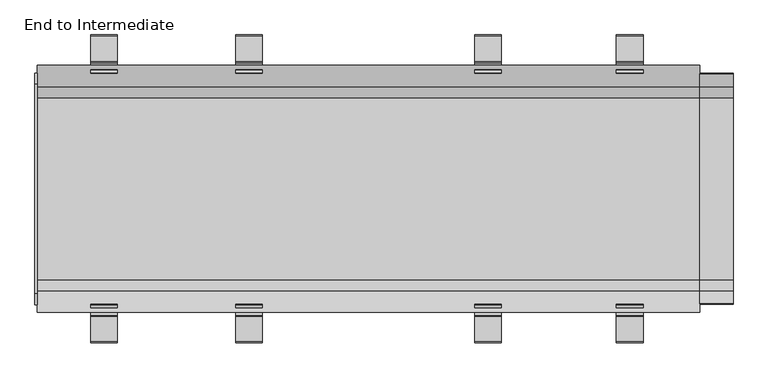
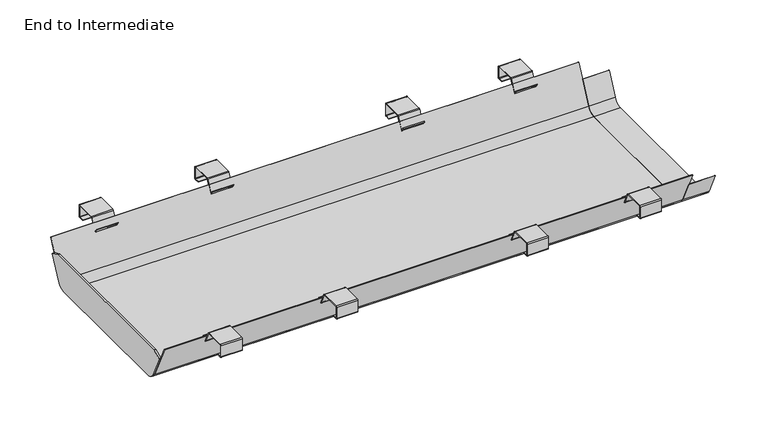
"""IFC4 building model written with IfcOpenShell, lengths in millimetres: furniture geometry, End to Intermediate."""

import ifcopenshell
import ifcopenshell.guid

model = None  # the IFC model being written
_history = None  # IfcOwnerHistory: only IFC2X3 demands one
_inside = {}  # id of a spatial element -> (the spatial element, [elements in it])
_under = {}  # id of a project, library or spatial element -> (it, [spatial elements below it])
_declared = {}  # id of a project -> (the project, [libraries it declares])
_typed = {}  # id of a type object -> (the type object, [elements of that type])
_made_of = {}  # id of a material, layer set ... -> (it, [elements and type objects made of it])


def new_model(schema):
    """Start an empty IFC model of exactly this schema.

    Asked for "IFC4X3", IfcOpenShell would pick the latest addendum, in which some entities
    have other attributes; the version numbers below select the first issue.
    IFC2X3 requires an IfcOwnerHistory on every rooted entity: one is made here for all.
    """
    global model, _history
    if schema == "IFC4X3":
        model = ifcopenshell.file(schema_version=(4, 3, 0, 0))
    else:
        model = ifcopenshell.file(schema=schema)
    _inside.clear()
    _under.clear()
    _declared.clear()
    _typed.clear()
    _made_of.clear()
    _history = None
    if model.schema == "IFC2X3":
        org = make("IfcOrganization", Name="unknown")
        user = make(
            "IfcPersonAndOrganization",
            ThePerson=make("IfcPerson", FamilyName="unknown"),
            TheOrganization=org,
        )
        app = make(
            "IfcApplication",
            ApplicationDeveloper=org,
            Version="unknown",
            ApplicationFullName="unknown",
            ApplicationIdentifier="unknown",
        )
        _history = make(
            "IfcOwnerHistory",
            OwningUser=user,
            OwningApplication=app,
            ChangeAction="ADDED",
            CreationDate=0,
        )
    return model


def make(cls, **values):
    """One entity of the class cls with the attributes given. An attribute that is None is left unset."""
    return model.create_entity(
        cls, **{name: value for name, value in values.items() if value is not None}
    )


def rooted(cls, **values):
    """An entity with a GlobalId (a new one), such as an element, a storey or a relation."""
    return make(cls, GlobalId=ifcopenshell.guid.new(), OwnerHistory=_history, **values)


def si_unit(unit_type, name, prefix=None):
    """IfcSIUnit, for example si_unit("LENGTHUNIT", "METRE", prefix="MILLI")."""
    return make("IfcSIUnit", UnitType=unit_type, Prefix=prefix, Name=name)


def assignment(units):
    """IfcUnitAssignment: the units of a project."""
    return None if units is None else make("IfcUnitAssignment", Units=units)


def point(xyz):
    """IfcCartesianPoint."""
    return None if xyz is None else make("IfcCartesianPoint", Coordinates=xyz)


def direction(xyz):
    """IfcDirection."""
    return None if xyz is None else make("IfcDirection", DirectionRatios=xyz)


def frame(location, z_axis=None, x_axis=None):
    """IfcAxis2Placement3D, a coordinate frame: its origin and axes. An axis left out is left unset."""
    return make(
        "IfcAxis2Placement3D",
        Location=point(location),
        Axis=direction(z_axis),
        RefDirection=direction(x_axis),
    )


def frame_2d(location, x_axis=None):
    """IfcAxis2Placement2D, a coordinate frame in the plane: its origin and x axis."""
    return make(
        "IfcAxis2Placement2D", Location=point(location), RefDirection=direction(x_axis)
    )


def origin():
    """The frame at (0, 0, 0) with its axes left unset."""
    return frame((0.0, 0.0, 0.0))


def place(relative_to, where):
    """IfcLocalPlacement: puts the frame where relative to a parent placement (None: the world)."""
    return make(
        "IfcLocalPlacement", PlacementRelTo=relative_to, RelativePlacement=where
    )


def context(
    kind, dimensions, precision=None, world=None, true_north=None, identifier=None
):
    """IfcGeometricRepresentationContext, for example the 3D "Model" context."""
    return make(
        "IfcGeometricRepresentationContext",
        ContextIdentifier=identifier,
        ContextType=kind,
        CoordinateSpaceDimension=dimensions,
        Precision=precision,
        WorldCoordinateSystem=world,
        TrueNorth=true_north,
    )


def project(units=None, contexts=None):
    """IfcProject with its units and contexts."""
    return rooted(
        "IfcProject",
        Name="project",
        RepresentationContexts=contexts,
        UnitsInContext=assignment(units),
    )


def spatial(cls, under=None, at=None, **own):
    """A site, building, storey or space (cls), placed at a placement, below another one or the project."""
    s = rooted(cls, ObjectPlacement=at, **own)
    if under is not None:
        _under.setdefault(under.id(), (under, []))[1].append(s)
    return s


def polyline(points):
    """IfcPolyline through the points."""
    return make("IfcPolyline", Points=[point(p) for p in points])


def circle_curve(where, radius):
    """IfcCircle in the frame where."""
    return make("IfcCircle", Position=where, Radius=radius)


def trimmed(basis, trim1, trim2, sense, master):
    """IfcTrimmedCurve: the piece of a basis curve between two trims."""
    return make(
        "IfcTrimmedCurve",
        BasisCurve=basis,
        Trim1=trim1,
        Trim2=trim2,
        SenseAgreement=sense,
        MasterRepresentation=master,
    )


def segment(curve, same_sense, transition):
    """IfcCompositeCurveSegment."""
    return make(
        "IfcCompositeCurveSegment",
        Transition=transition,
        SameSense=same_sense,
        ParentCurve=curve,
    )


def composite_curve(segments, self_intersect=None):
    """IfcCompositeCurve: segments joined end to end."""
    return make("IfcCompositeCurve", Segments=segments, SelfIntersect=self_intersect)


def outline(outer, holes=None, kind="AREA"):
    """IfcArbitraryClosedProfileDef: a profile drawn as a closed curve; with holes, ...WithVoids."""
    if holes is None:
        return make("IfcArbitraryClosedProfileDef", ProfileType=kind, OuterCurve=outer)
    return make(
        "IfcArbitraryProfileDefWithVoids",
        ProfileType=kind,
        OuterCurve=outer,
        InnerCurves=holes,
    )


def extrude(swept, where, along, depth):
    """IfcExtrudedAreaSolid: the profile swept, set in the frame where, extruded along a direction by depth."""
    return make(
        "IfcExtrudedAreaSolid",
        SweptArea=swept,
        Position=where,
        ExtrudedDirection=direction(along),
        Depth=depth,
    )


def shape(context_of_items, identifier, shape_type, items):
    """IfcShapeRepresentation: the items that make up one representation, for example the "Body"."""
    return make(
        "IfcShapeRepresentation",
        ContextOfItems=context_of_items,
        RepresentationIdentifier=identifier,
        RepresentationType=shape_type,
        Items=items,
    )


def source(mapping_origin, context_of_items, identifier, shape_type, items):
    """IfcRepresentationMap: a shape defined once, which mapped items show again and again."""
    return make(
        "IfcRepresentationMap",
        MappingOrigin=mapping_origin,
        MappedRepresentation=shape(context_of_items, identifier, shape_type, items),
    )


def transform(
    local_origin,
    x_axis=None,
    y_axis=None,
    z_axis=None,
    scale=None,
    scale2=None,
    scale3=None,
    uniform=True,
):
    """IfcCartesianTransformationOperator3D, or its non-uniform kind. x_axis, y_axis, z_axis: its Axis1, 2, 3."""
    if uniform:
        return make(
            "IfcCartesianTransformationOperator3D",
            Axis1=direction(x_axis),
            Axis2=direction(y_axis),
            LocalOrigin=point(local_origin),
            Scale=scale,
            Axis3=direction(z_axis),
        )
    return make(
        "IfcCartesianTransformationOperator3DnonUniform",
        Axis1=direction(x_axis),
        Axis2=direction(y_axis),
        LocalOrigin=point(local_origin),
        Scale=scale,
        Axis3=direction(z_axis),
        Scale2=scale2,
        Scale3=scale3,
    )


def mapped(mapping_source, mapping_target):
    """IfcMappedItem: shows the shape of a source again, moved by a transform."""
    return make(
        "IfcMappedItem", MappingSource=mapping_source, MappingTarget=mapping_target
    )


def made_of(thing, what):
    """Note that an element or type object is made of a material, layer set ...; save() writes the relation."""
    if what is not None:
        _made_of.setdefault(what.id(), (what, []))[1].append(thing)
    return thing


def element(
    cls,
    number,
    at=None,
    inside=None,
    cuts=None,
    type_object=None,
    material=None,
    context=None,
    identifier="Body",
    shape_type=None,
    held_by="IfcProductDefinitionShape",
    body=None,
    shapes=None,
    **own,
):
    """One element of the class cls, such as IfcWall. Its Tag is "e" and its number.

    at: its placement. inside: the storey or other place that contains it. cuts: it is an
    opening in that element (IfcRelVoidsElement). A single representation is given by context,
    identifier, shape_type and body (its items); several are given by shapes. held_by: the class
    of the entity that holds the representations. save() writes the other relations.
    """
    e = rooted(cls, Tag="e%d" % number, ObjectPlacement=at, **own)
    if body is not None:
        shapes = [shape(context, identifier, shape_type, body)]
    if shapes is not None:
        e.Representation = make(held_by, Representations=shapes)
    if inside is not None:
        _inside.setdefault(inside.id(), (inside, []))[1].append(e)
    if cuts is not None:
        rooted(
            "IfcRelVoidsElement", RelatingBuildingElement=cuts, RelatedOpeningElement=e
        )
    if type_object is not None:
        _typed.setdefault(type_object.id(), (type_object, []))[1].append(e)
    return made_of(e, material)


def aggregate(whole, parts):
    """IfcRelAggregates: a whole, such as a stair, and the parts it consists of."""
    return rooted("IfcRelAggregates", RelatingObject=whole, RelatedObjects=parts)


def save(model, path):
    """Write the relations noted so far, then the file.

    IfcRelAggregates (storeys below a building ...), IfcRelContainedInSpatialStructure (elements
    in a storey), IfcRelDefinesByType, IfcRelAssociatesMaterial and IfcRelDeclares: one each for
    every whole, place, type object, material and project.
    """
    for whole, parts in _under.values():
        aggregate(whole, parts)
    for where, things in _inside.values():
        rooted(
            "IfcRelContainedInSpatialStructure",
            RelatedElements=things,
            RelatingStructure=where,
        )
    for kind, things in _typed.values():
        rooted("IfcRelDefinesByType", RelatedObjects=things, RelatingType=kind)
    for what, things in _made_of.values():
        rooted("IfcRelAssociatesMaterial", RelatedObjects=things, RelatingMaterial=what)
    for by, libraries in _declared.values():
        rooted("IfcRelDeclares", RelatingContext=by, RelatedDefinitions=libraries)
    model.write(path)


def end_to_intermediate_915518e6(model_context):
    return source(origin(), model_context, "Body", "SweptSolid", [
        extrude(outline(composite_curve([segment(polyline([(-314.3902006, 691.2175894), (-262.5863476, 691.2175894)]), True, "CONTINUOUS"), segment(trimmed(circle_curve(frame_2d((-262.5863476, 688.1906532)), 3.0269361), [point((-262.5863476, 691.2175894))], [point((-259.8430196, 689.4699085))], False, "CARTESIAN"), True, "CONTINUOUS"), segment(polyline([(-259.8430196, 689.4699085), (-246.5846085, 661.037607)]), True, "CONTINUOUS"), segment(trimmed(circle_curve(frame_2d((-245.4846589, 661.5505301)), 1.2136636), [point((-246.5846085, 661.037607))], [point((-244.4904732, 660.8544166))], True, "CARTESIAN"), True, "CONTINUOUS"), segment(polyline([(-244.4904732, 660.8544166), (-238.583501, 669.2907232), (-237.3549672, 668.4305362), (-243.4492366, 659.7265967)]), True, "CONTINUOUS"), segment(trimmed(circle_curve(frame_2d((-245.517585, 661.1747998)), 2.524947), [point((-243.4492366, 659.7265967))], [point((-247.8059576, 660.1076971))], False, "CARTESIAN"), True, "CONTINUOUS"), segment(polyline([(-247.8059576, 660.1076971), (-261.3735958, 689.2031275)]), True, "CONTINUOUS"), segment(trimmed(circle_curve(frame_2d((-262.1811743, 688.8265414)), 0.8910668), [point((-261.3735958, 689.2031275))], [point((-262.1811743, 689.7176083))], True, "CARTESIAN"), True, "CONTINUOUS"), segment(polyline([(-262.1811743, 689.7176083), (-313.9528471, 689.7176083)]), True, "CONTINUOUS"), segment(trimmed(circle_curve(frame_2d((-313.9528471, 688.5126976)), 1.2049106), [point((-313.9528471, 689.7176083))], [point((-315.1577577, 688.5126976))], True, "CARTESIAN"), True, "CONTINUOUS"), segment(polyline([(-315.1577577, 688.5126976), (-315.1577577, 658.6910173)]), True, "CONTINUOUS"), segment(trimmed(circle_curve(frame_2d((-314.1843397, 658.6910173)), 0.973418), [point((-315.1577577, 658.6910173))], [point((-314.1843397, 657.7175993))], True, "CARTESIAN"), True, "CONTINUOUS"), segment(polyline([(-314.1843397, 657.7175993), (-301.6596991, 657.7175993), (-301.6596991, 656.2176182), (-314.147136, 656.2176182)]), True, "CONTINUOUS"), segment(trimmed(circle_curve(frame_2d((-314.147136, 658.7282211)), 2.5106029), [point((-314.147136, 656.2176182))], [point((-316.6577389, 658.7282211))], False, "CARTESIAN"), True, "CONTINUOUS"), segment(polyline([(-316.6577389, 658.7282211), (-316.6577389, 688.9500511)]), True, "CONTINUOUS"), segment(trimmed(circle_curve(frame_2d((-314.3902006, 688.9500511)), 2.2675383), [point((-316.6577389, 688.9500511))], [point((-314.3902006, 691.2175894))], False, "CARTESIAN"), True, "CONTINUOUS")], self_intersect=False)), frame((-572.021592, 0.0, 0.0), z_axis=(1.0, 0.0, 0.0), x_axis=(0.0, 1.0, 0.0)), (0.0, 0.0, 1.0), 55.0186294),
        extrude(outline(composite_curve([segment(trimmed(circle_curve(frame_2d((314.3902006, 688.9500511)), 2.2675383), [point((314.3902006, 691.2175894))], [point((316.6577389, 688.9500511))], False, "CARTESIAN"), True, "CONTINUOUS"), segment(polyline([(316.6577389, 688.9500511), (316.6577389, 658.7282211)]), True, "CONTINUOUS"), segment(trimmed(circle_curve(frame_2d((314.147136, 658.7282211)), 2.5106029), [point((316.6577389, 658.7282211))], [point((314.147136, 656.2176182))], False, "CARTESIAN"), True, "CONTINUOUS"), segment(polyline([(314.147136, 656.2176182), (301.6596991, 656.2176182), (301.6596991, 657.7175993), (314.1843397, 657.7175993)]), True, "CONTINUOUS"), segment(trimmed(circle_curve(frame_2d((314.1843397, 658.6910173)), 0.973418), [point((314.1843397, 657.7175993))], [point((315.1577577, 658.6910173))], True, "CARTESIAN"), True, "CONTINUOUS"), segment(polyline([(315.1577577, 658.6910173), (315.1577577, 688.5126976)]), True, "CONTINUOUS"), segment(trimmed(circle_curve(frame_2d((313.9528471, 688.5126976)), 1.2049106), [point((315.1577577, 688.5126976))], [point((313.9528471, 689.7176083))], True, "CARTESIAN"), True, "CONTINUOUS"), segment(polyline([(313.9528471, 689.7176083), (262.1811743, 689.7176083)]), True, "CONTINUOUS"), segment(trimmed(circle_curve(frame_2d((262.1811743, 688.8265414)), 0.8910668), [point((262.1811743, 689.7176083))], [point((261.3735958, 689.2031275))], True, "CARTESIAN"), True, "CONTINUOUS"), segment(polyline([(261.3735958, 689.2031275), (247.8059576, 660.1076971)]), True, "CONTINUOUS"), segment(trimmed(circle_curve(frame_2d((245.517585, 661.1747998)), 2.524947), [point((247.8059576, 660.1076971))], [point((243.4492366, 659.7265967))], False, "CARTESIAN"), True, "CONTINUOUS"), segment(polyline([(243.4492366, 659.7265967), (237.3549672, 668.4305362), (238.583501, 669.2907232), (244.4904732, 660.8544166)]), True, "CONTINUOUS"), segment(trimmed(circle_curve(frame_2d((245.4846589, 661.5505301)), 1.2136636), [point((244.4904732, 660.8544166))], [point((246.5846085, 661.037607))], True, "CARTESIAN"), True, "CONTINUOUS"), segment(polyline([(246.5846085, 661.037607), (259.8430196, 689.4699085)]), True, "CONTINUOUS"), segment(trimmed(circle_curve(frame_2d((262.5863476, 688.1906532)), 3.0269361), [point((259.8430196, 689.4699085))], [point((262.5863476, 691.2175894))], False, "CARTESIAN"), True, "CONTINUOUS"), segment(polyline([(262.5863476, 691.2175894), (314.3902006, 691.2175894)]), True, "CONTINUOUS")], self_intersect=False)), frame((-572.021592, 0.0, 0.0), z_axis=(1.0, 0.0, 0.0), x_axis=(0.0, 1.0, 0.0)), (0.0, 0.0, 1.0), 55.0186294),
        extrude(outline(composite_curve([segment(polyline([(-314.3902006, 691.2175894), (-262.5863476, 691.2175894)]), True, "CONTINUOUS"), segment(trimmed(circle_curve(frame_2d((-262.5863476, 688.1906532)), 3.0269361), [point((-262.5863476, 691.2175894))], [point((-259.8430196, 689.4699085))], False, "CARTESIAN"), True, "CONTINUOUS"), segment(polyline([(-259.8430196, 689.4699085), (-246.5846085, 661.037607)]), True, "CONTINUOUS"), segment(trimmed(circle_curve(frame_2d((-245.4846589, 661.5505301)), 1.2136636), [point((-246.5846085, 661.037607))], [point((-244.4904732, 660.8544166))], True, "CARTESIAN"), True, "CONTINUOUS"), segment(polyline([(-244.4904732, 660.8544166), (-238.583501, 669.2907232), (-237.3549672, 668.4305362), (-243.4492366, 659.7265967)]), True, "CONTINUOUS"), segment(trimmed(circle_curve(frame_2d((-245.517585, 661.1747998)), 2.524947), [point((-243.4492366, 659.7265967))], [point((-247.8059576, 660.1076971))], False, "CARTESIAN"), True, "CONTINUOUS"), segment(polyline([(-247.8059576, 660.1076971), (-261.3735958, 689.2031275)]), True, "CONTINUOUS"), segment(trimmed(circle_curve(frame_2d((-262.1811743, 688.8265414)), 0.8910668), [point((-261.3735958, 689.2031275))], [point((-262.1811743, 689.7176083))], True, "CARTESIAN"), True, "CONTINUOUS"), segment(polyline([(-262.1811743, 689.7176083), (-313.9528471, 689.7176083)]), True, "CONTINUOUS"), segment(trimmed(circle_curve(frame_2d((-313.9528471, 688.5126976)), 1.2049106), [point((-313.9528471, 689.7176083))], [point((-315.1577577, 688.5126976))], True, "CARTESIAN"), True, "CONTINUOUS"), segment(polyline([(-315.1577577, 688.5126976), (-315.1577577, 658.6910173)]), True, "CONTINUOUS"), segment(trimmed(circle_curve(frame_2d((-314.1843397, 658.6910173)), 0.973418), [point((-315.1577577, 658.6910173))], [point((-314.1843397, 657.7175993))], True, "CARTESIAN"), True, "CONTINUOUS"), segment(polyline([(-314.1843397, 657.7175993), (-301.6596991, 657.7175993), (-301.6596991, 656.2176182), (-314.147136, 656.2176182)]), True, "CONTINUOUS"), segment(trimmed(circle_curve(frame_2d((-314.147136, 658.7282211)), 2.5106029), [point((-314.147136, 656.2176182))], [point((-316.6577389, 658.7282211))], False, "CARTESIAN"), True, "CONTINUOUS"), segment(polyline([(-316.6577389, 658.7282211), (-316.6577389, 688.9500511)]), True, "CONTINUOUS"), segment(trimmed(circle_curve(frame_2d((-314.3902006, 688.9500511)), 2.2675383), [point((-316.6577389, 688.9500511))], [point((-314.3902006, 691.2175894))], False, "CARTESIAN"), True, "CONTINUOUS")], self_intersect=False)), frame((-273.4528805, 0.0, 0.0), z_axis=(1.0, 0.0, 0.0), x_axis=(0.0, 1.0, 0.0)), (0.0, 0.0, 1.0), 54.9870932),
        extrude(outline(composite_curve([segment(trimmed(circle_curve(frame_2d((314.3902006, 688.9500511)), 2.2675383), [point((314.3902006, 691.2175894))], [point((316.6577389, 688.9500511))], False, "CARTESIAN"), True, "CONTINUOUS"), segment(polyline([(316.6577389, 688.9500511), (316.6577389, 658.7282211)]), True, "CONTINUOUS"), segment(trimmed(circle_curve(frame_2d((314.147136, 658.7282211)), 2.5106029), [point((316.6577389, 658.7282211))], [point((314.147136, 656.2176182))], False, "CARTESIAN"), True, "CONTINUOUS"), segment(polyline([(314.147136, 656.2176182), (301.6596991, 656.2176182), (301.6596991, 657.7175993), (314.1843397, 657.7175993)]), True, "CONTINUOUS"), segment(trimmed(circle_curve(frame_2d((314.1843397, 658.6910173)), 0.973418), [point((314.1843397, 657.7175993))], [point((315.1577577, 658.6910173))], True, "CARTESIAN"), True, "CONTINUOUS"), segment(polyline([(315.1577577, 658.6910173), (315.1577577, 688.5126976)]), True, "CONTINUOUS"), segment(trimmed(circle_curve(frame_2d((313.9528471, 688.5126976)), 1.2049106), [point((315.1577577, 688.5126976))], [point((313.9528471, 689.7176083))], True, "CARTESIAN"), True, "CONTINUOUS"), segment(polyline([(313.9528471, 689.7176083), (262.1811743, 689.7176083)]), True, "CONTINUOUS"), segment(trimmed(circle_curve(frame_2d((262.1811743, 688.8265414)), 0.8910668), [point((262.1811743, 689.7176083))], [point((261.3735958, 689.2031275))], True, "CARTESIAN"), True, "CONTINUOUS"), segment(polyline([(261.3735958, 689.2031275), (247.8059576, 660.1076971)]), True, "CONTINUOUS"), segment(trimmed(circle_curve(frame_2d((245.517585, 661.1747998)), 2.524947), [point((247.8059576, 660.1076971))], [point((243.4492366, 659.7265967))], False, "CARTESIAN"), True, "CONTINUOUS"), segment(polyline([(243.4492366, 659.7265967), (237.3549672, 668.4305362), (238.583501, 669.2907232), (244.4904732, 660.8544166)]), True, "CONTINUOUS"), segment(trimmed(circle_curve(frame_2d((245.4846589, 661.5505301)), 1.2136636), [point((244.4904732, 660.8544166))], [point((246.5846085, 661.037607))], True, "CARTESIAN"), True, "CONTINUOUS"), segment(polyline([(246.5846085, 661.037607), (259.8430196, 689.4699085)]), True, "CONTINUOUS"), segment(trimmed(circle_curve(frame_2d((262.5863476, 688.1906532)), 3.0269361), [point((259.8430196, 689.4699085))], [point((262.5863476, 691.2175894))], False, "CARTESIAN"), True, "CONTINUOUS"), segment(polyline([(262.5863476, 691.2175894), (314.3902006, 691.2175894)]), True, "CONTINUOUS")], self_intersect=False)), frame((-273.4528805, 0.0, 0.0), z_axis=(1.0, 0.0, 0.0), x_axis=(0.0, 1.0, 0.0)), (0.0, 0.0, 1.0), 54.9870932),
        extrude(outline(composite_curve([segment(polyline([(-314.3902006, 691.2175894), (-262.5863476, 691.2175894)]), True, "CONTINUOUS"), segment(trimmed(circle_curve(frame_2d((-262.5863476, 688.1906532)), 3.0269361), [point((-262.5863476, 691.2175894))], [point((-259.8430196, 689.4699085))], False, "CARTESIAN"), True, "CONTINUOUS"), segment(polyline([(-259.8430196, 689.4699085), (-246.5846085, 661.037607)]), True, "CONTINUOUS"), segment(trimmed(circle_curve(frame_2d((-245.4846589, 661.5505301)), 1.2136636), [point((-246.5846085, 661.037607))], [point((-244.4904732, 660.8544166))], True, "CARTESIAN"), True, "CONTINUOUS"), segment(polyline([(-244.4904732, 660.8544166), (-238.583501, 669.2907232), (-237.3549672, 668.4305362), (-243.4492366, 659.7265967)]), True, "CONTINUOUS"), segment(trimmed(circle_curve(frame_2d((-245.517585, 661.1747998)), 2.524947), [point((-243.4492366, 659.7265967))], [point((-247.8059576, 660.1076971))], False, "CARTESIAN"), True, "CONTINUOUS"), segment(polyline([(-247.8059576, 660.1076971), (-261.3735958, 689.2031275)]), True, "CONTINUOUS"), segment(trimmed(circle_curve(frame_2d((-262.1811743, 688.8265414)), 0.8910668), [point((-261.3735958, 689.2031275))], [point((-262.1811743, 689.7176083))], True, "CARTESIAN"), True, "CONTINUOUS"), segment(polyline([(-262.1811743, 689.7176083), (-313.9528471, 689.7176083)]), True, "CONTINUOUS"), segment(trimmed(circle_curve(frame_2d((-313.9528471, 688.5126976)), 1.2049106), [point((-313.9528471, 689.7176083))], [point((-315.1577577, 688.5126976))], True, "CARTESIAN"), True, "CONTINUOUS"), segment(polyline([(-315.1577577, 688.5126976), (-315.1577577, 658.6910173)]), True, "CONTINUOUS"), segment(trimmed(circle_curve(frame_2d((-314.1843397, 658.6910173)), 0.973418), [point((-315.1577577, 658.6910173))], [point((-314.1843397, 657.7175993))], True, "CARTESIAN"), True, "CONTINUOUS"), segment(polyline([(-314.1843397, 657.7175993), (-301.6596991, 657.7175993), (-301.6596991, 656.2176182), (-314.147136, 656.2176182)]), True, "CONTINUOUS"), segment(trimmed(circle_curve(frame_2d((-314.147136, 658.7282211)), 2.5106029), [point((-314.147136, 656.2176182))], [point((-316.6577389, 658.7282211))], False, "CARTESIAN"), True, "CONTINUOUS"), segment(polyline([(-316.6577389, 658.7282211), (-316.6577389, 688.9500511)]), True, "CONTINUOUS"), segment(trimmed(circle_curve(frame_2d((-314.3902006, 688.9500511)), 2.2675383), [point((-316.6577389, 688.9500511))], [point((-314.3902006, 691.2175894))], False, "CARTESIAN"), True, "CONTINUOUS")], self_intersect=False)), frame((509.9849359, 0.0, 0.0), z_axis=(1.0, 0.0, 0.0), x_axis=(0.0, 1.0, 0.0)), (0.0, 0.0, 1.0), 55.0121015),
        extrude(outline(composite_curve([segment(trimmed(circle_curve(frame_2d((314.3902006, 688.9500511)), 2.2675383), [point((314.3902006, 691.2175894))], [point((316.6577389, 688.9500511))], False, "CARTESIAN"), True, "CONTINUOUS"), segment(polyline([(316.6577389, 688.9500511), (316.6577389, 658.7282211)]), True, "CONTINUOUS"), segment(trimmed(circle_curve(frame_2d((314.147136, 658.7282211)), 2.5106029), [point((316.6577389, 658.7282211))], [point((314.147136, 656.2176182))], False, "CARTESIAN"), True, "CONTINUOUS"), segment(polyline([(314.147136, 656.2176182), (301.6596991, 656.2176182), (301.6596991, 657.7175993), (314.1843397, 657.7175993)]), True, "CONTINUOUS"), segment(trimmed(circle_curve(frame_2d((314.1843397, 658.6910173)), 0.973418), [point((314.1843397, 657.7175993))], [point((315.1577577, 658.6910173))], True, "CARTESIAN"), True, "CONTINUOUS"), segment(polyline([(315.1577577, 658.6910173), (315.1577577, 688.5126976)]), True, "CONTINUOUS"), segment(trimmed(circle_curve(frame_2d((313.9528471, 688.5126976)), 1.2049106), [point((315.1577577, 688.5126976))], [point((313.9528471, 689.7176083))], True, "CARTESIAN"), True, "CONTINUOUS"), segment(polyline([(313.9528471, 689.7176083), (262.1811743, 689.7176083)]), True, "CONTINUOUS"), segment(trimmed(circle_curve(frame_2d((262.1811743, 688.8265414)), 0.8910668), [point((262.1811743, 689.7176083))], [point((261.3735958, 689.2031275))], True, "CARTESIAN"), True, "CONTINUOUS"), segment(polyline([(261.3735958, 689.2031275), (247.8059576, 660.1076971)]), True, "CONTINUOUS"), segment(trimmed(circle_curve(frame_2d((245.517585, 661.1747998)), 2.524947), [point((247.8059576, 660.1076971))], [point((243.4492366, 659.7265967))], False, "CARTESIAN"), True, "CONTINUOUS"), segment(polyline([(243.4492366, 659.7265967), (237.3549672, 668.4305362), (238.583501, 669.2907232), (244.4904732, 660.8544166)]), True, "CONTINUOUS"), segment(trimmed(circle_curve(frame_2d((245.4846589, 661.5505301)), 1.2136636), [point((244.4904732, 660.8544166))], [point((246.5846085, 661.037607))], True, "CARTESIAN"), True, "CONTINUOUS"), segment(polyline([(246.5846085, 661.037607), (259.8430196, 689.4699085)]), True, "CONTINUOUS"), segment(trimmed(circle_curve(frame_2d((262.5863476, 688.1906532)), 3.0269361), [point((259.8430196, 689.4699085))], [point((262.5863476, 691.2175894))], False, "CARTESIAN"), True, "CONTINUOUS"), segment(polyline([(262.5863476, 691.2175894), (314.3902006, 691.2175894)]), True, "CONTINUOUS")], self_intersect=False)), frame((509.9849359, 0.0, 0.0), z_axis=(1.0, 0.0, 0.0), x_axis=(0.0, 1.0, 0.0)), (0.0, 0.0, 1.0), 55.0121015),
        extrude(outline(composite_curve([segment(polyline([(-314.3902006, 691.2175894), (-262.5863476, 691.2175894)]), True, "CONTINUOUS"), segment(trimmed(circle_curve(frame_2d((-262.5863476, 688.1906532)), 3.0269361), [point((-262.5863476, 691.2175894))], [point((-259.8430196, 689.4699085))], False, "CARTESIAN"), True, "CONTINUOUS"), segment(polyline([(-259.8430196, 689.4699085), (-246.5846085, 661.037607)]), True, "CONTINUOUS"), segment(trimmed(circle_curve(frame_2d((-245.4846589, 661.5505301)), 1.2136636), [point((-246.5846085, 661.037607))], [point((-244.4904732, 660.8544166))], True, "CARTESIAN"), True, "CONTINUOUS"), segment(polyline([(-244.4904732, 660.8544166), (-238.583501, 669.2907232), (-237.3549672, 668.4305362), (-243.4492366, 659.7265967)]), True, "CONTINUOUS"), segment(trimmed(circle_curve(frame_2d((-245.517585, 661.1747998)), 2.524947), [point((-243.4492366, 659.7265967))], [point((-247.8059576, 660.1076971))], False, "CARTESIAN"), True, "CONTINUOUS"), segment(polyline([(-247.8059576, 660.1076971), (-261.3735958, 689.2031275)]), True, "CONTINUOUS"), segment(trimmed(circle_curve(frame_2d((-262.1811743, 688.8265414)), 0.8910668), [point((-261.3735958, 689.2031275))], [point((-262.1811743, 689.7176083))], True, "CARTESIAN"), True, "CONTINUOUS"), segment(polyline([(-262.1811743, 689.7176083), (-313.9528471, 689.7176083)]), True, "CONTINUOUS"), segment(trimmed(circle_curve(frame_2d((-313.9528471, 688.5126976)), 1.2049106), [point((-313.9528471, 689.7176083))], [point((-315.1577577, 688.5126976))], True, "CARTESIAN"), True, "CONTINUOUS"), segment(polyline([(-315.1577577, 688.5126976), (-315.1577577, 658.6910173)]), True, "CONTINUOUS"), segment(trimmed(circle_curve(frame_2d((-314.1843397, 658.6910173)), 0.973418), [point((-315.1577577, 658.6910173))], [point((-314.1843397, 657.7175993))], True, "CARTESIAN"), True, "CONTINUOUS"), segment(polyline([(-314.1843397, 657.7175993), (-301.6596991, 657.7175993), (-301.6596991, 656.2176182), (-314.147136, 656.2176182)]), True, "CONTINUOUS"), segment(trimmed(circle_curve(frame_2d((-314.147136, 658.7282211)), 2.5106029), [point((-314.147136, 656.2176182))], [point((-316.6577389, 658.7282211))], False, "CARTESIAN"), True, "CONTINUOUS"), segment(polyline([(-316.6577389, 658.7282211), (-316.6577389, 688.9500511)]), True, "CONTINUOUS"), segment(trimmed(circle_curve(frame_2d((-314.3902006, 688.9500511)), 2.2675383), [point((-316.6577389, 688.9500511))], [point((-314.3902006, 691.2175894))], False, "CARTESIAN"), True, "CONTINUOUS")], self_intersect=False)), frame((218.4657874, 0.0, 0.0), z_axis=(1.0, 0.0, 0.0), x_axis=(0.0, 1.0, 0.0)), (0.0, 0.0, 1.0), 54.9870932),
        extrude(outline(composite_curve([segment(trimmed(circle_curve(frame_2d((314.3902006, 688.9500511)), 2.2675383), [point((314.3902006, 691.2175894))], [point((316.6577389, 688.9500511))], False, "CARTESIAN"), True, "CONTINUOUS"), segment(polyline([(316.6577389, 688.9500511), (316.6577389, 658.7282211)]), True, "CONTINUOUS"), segment(trimmed(circle_curve(frame_2d((314.147136, 658.7282211)), 2.5106029), [point((316.6577389, 658.7282211))], [point((314.147136, 656.2176182))], False, "CARTESIAN"), True, "CONTINUOUS"), segment(polyline([(314.147136, 656.2176182), (301.6596991, 656.2176182), (301.6596991, 657.7175993), (314.1843397, 657.7175993)]), True, "CONTINUOUS"), segment(trimmed(circle_curve(frame_2d((314.1843397, 658.6910173)), 0.973418), [point((314.1843397, 657.7175993))], [point((315.1577577, 658.6910173))], True, "CARTESIAN"), True, "CONTINUOUS"), segment(polyline([(315.1577577, 658.6910173), (315.1577577, 688.5126976)]), True, "CONTINUOUS"), segment(trimmed(circle_curve(frame_2d((313.9528471, 688.5126976)), 1.2049106), [point((315.1577577, 688.5126976))], [point((313.9528471, 689.7176083))], True, "CARTESIAN"), True, "CONTINUOUS"), segment(polyline([(313.9528471, 689.7176083), (262.1811743, 689.7176083)]), True, "CONTINUOUS"), segment(trimmed(circle_curve(frame_2d((262.1811743, 688.8265414)), 0.8910668), [point((262.1811743, 689.7176083))], [point((261.3735958, 689.2031275))], True, "CARTESIAN"), True, "CONTINUOUS"), segment(polyline([(261.3735958, 689.2031275), (247.8059576, 660.1076971)]), True, "CONTINUOUS"), segment(trimmed(circle_curve(frame_2d((245.517585, 661.1747998)), 2.524947), [point((247.8059576, 660.1076971))], [point((243.4492366, 659.7265967))], False, "CARTESIAN"), True, "CONTINUOUS"), segment(polyline([(243.4492366, 659.7265967), (237.3549672, 668.4305362), (238.583501, 669.2907232), (244.4904732, 660.8544166)]), True, "CONTINUOUS"), segment(trimmed(circle_curve(frame_2d((245.4846589, 661.5505301)), 1.2136636), [point((244.4904732, 660.8544166))], [point((246.5846085, 661.037607))], True, "CARTESIAN"), True, "CONTINUOUS"), segment(polyline([(246.5846085, 661.037607), (259.8430196, 689.4699085)]), True, "CONTINUOUS"), segment(trimmed(circle_curve(frame_2d((262.5863476, 688.1906532)), 3.0269361), [point((259.8430196, 689.4699085))], [point((262.5863476, 691.2175894))], False, "CARTESIAN"), True, "CONTINUOUS"), segment(polyline([(262.5863476, 691.2175894), (314.3902006, 691.2175894)]), True, "CONTINUOUS")], self_intersect=False)), frame((218.4657874, 0.0, 0.0), z_axis=(1.0, 0.0, 0.0), x_axis=(0.0, 1.0, 0.0)), (0.0, 0.0, 1.0), 54.9870932),
        extrude(outline(composite_curve([segment(polyline([(236.9729352, 642.5575422), (237.7839823, 642.1793448), (211.0912035, 584.9364958)]), True, "CONTINUOUS"), segment(trimmed(circle_curve(frame_2d((187.2031002, 596.0757013)), 26.3576056), [point((211.0912035, 584.9364958))], [point((187.2031002, 569.7180957))], False, "CARTESIAN"), True, "CONTINUOUS"), segment(polyline([(187.2031002, 569.7180957), (-186.8906002, 569.7180957)]), True, "CONTINUOUS"), segment(trimmed(circle_curve(frame_2d((-186.8906002, 596.0757013)), 26.3576056), [point((-186.8906002, 569.7180957))], [point((-210.7787035, 584.9364958))], False, "CARTESIAN"), True, "CONTINUOUS"), segment(polyline([(-210.7787035, 584.9364958), (-237.5367758, 642.3193672), (-236.7257287, 642.6975646), (-209.8405997, 585.0422193)]), True, "CONTINUOUS"), segment(trimmed(circle_curve(frame_2d((-187.182905, 595.6076758)), 25.0), [point((-209.8405997, 585.0422193))], [point((-187.182905, 570.6076758))], True, "CARTESIAN"), True, "CONTINUOUS"), segment(polyline([(-187.182905, 570.6076758), (187.495405, 570.6076758)]), True, "CONTINUOUS"), segment(trimmed(circle_curve(frame_2d((187.495405, 595.6076758)), 25.0), [point((187.495405, 570.6076758))], [point((210.1530997, 585.0422193))], True, "CARTESIAN"), True, "CONTINUOUS"), segment(polyline([(210.1530997, 585.0422193), (236.9729352, 642.5575422)]), True, "CONTINUOUS")], self_intersect=False)), frame((681.2521439, 0.0, 0.0), z_axis=(1.0, 0.0, 0.0), x_axis=(0.0, 1.0, 0.0)), (0.0, 0.0, 1.0), 68.7448935),
        extrude(outline(composite_curve([segment(polyline([(215.1916299, 655.6158955), (238.0842986, 644.9408687), (210.1530997, 585.0422193)]), True, "CONTINUOUS"), segment(trimmed(circle_curve(frame_2d((187.495405, 595.6076758)), 25.0), [point((210.1530997, 585.0422193))], [point((187.495405, 570.6076758))], False, "CARTESIAN"), True, "CONTINUOUS"), segment(polyline([(187.495405, 570.6076758), (-187.182905, 570.6076758)]), True, "CONTINUOUS"), segment(trimmed(circle_curve(frame_2d((-187.182905, 595.6076758)), 25.0), [point((-187.182905, 570.6076758))], [point((-209.8405997, 585.0422193))], False, "CARTESIAN"), True, "CONTINUOUS"), segment(polyline([(-209.8405997, 585.0422193), (-238.3499298, 646.1806751), (-214.8083701, 655.6158955), (215.1916299, 655.6158955)]), True, "CONTINUOUS")], self_intersect=False)), frame((-686.4990564, 0.0, 0.0), z_axis=(1.0, 0.0, 0.0), x_axis=(0.0, 1.0, 0.0)), (0.0, 0.0, 1.0), 5.000002),
        extrude(outline(composite_curve([segment(polyline([(253.8833112, 678.8219604), (254.6943582, 678.443763), (211.0912035, 584.9364958)]), True, "CONTINUOUS"), segment(trimmed(circle_curve(frame_2d((187.2031002, 596.0757013)), 26.3576056), [point((211.0912035, 584.9364958))], [point((187.2031002, 569.7180957))], False, "CARTESIAN"), True, "CONTINUOUS"), segment(polyline([(187.2031002, 569.7180957), (-186.8906002, 569.7180957)]), True, "CONTINUOUS"), segment(trimmed(circle_curve(frame_2d((-186.8906002, 596.0757013)), 26.3576056), [point((-186.8906002, 569.7180957))], [point((-210.7787035, 584.9364958))], False, "CARTESIAN"), True, "CONTINUOUS"), segment(polyline([(-210.7787035, 584.9364958), (-254.3818582, 678.443763), (-253.5708112, 678.8219604), (-209.8405997, 585.0422193)]), True, "CONTINUOUS"), segment(trimmed(circle_curve(frame_2d((-187.182905, 595.6076758)), 25.0), [point((-209.8405997, 585.0422193))], [point((-187.182905, 570.6076758))], True, "CARTESIAN"), True, "CONTINUOUS"), segment(polyline([(-187.182905, 570.6076758), (187.495405, 570.6076758)]), True, "CONTINUOUS"), segment(trimmed(circle_curve(frame_2d((187.495405, 595.6076758)), 25.0), [point((187.495405, 570.6076758))], [point((210.1530997, 585.0422193))], True, "CARTESIAN"), True, "CONTINUOUS"), segment(polyline([(210.1530997, 585.0422193), (253.8833112, 678.8219604)]), True, "CONTINUOUS")], self_intersect=False)), frame((-681.4990543, 0.0, 0.0), z_axis=(1.0, 0.0, 0.0), x_axis=(0.0, 1.0, 0.0)), (0.0, 0.0, 1.0), 1362.7511982),
    ])


if __name__ == "__main__":
    model = new_model("IFC4")
    model_context = context("Model", 3, world=origin())
    ifc_project = project(units=[si_unit("LENGTHUNIT", "METRE", prefix="MILLI")], contexts=[model_context])
    site = spatial("IfcSite", under=ifc_project)
    building = spatial("IfcBuilding", under=site)
    placement = place(None, origin())
    end_to_intermediate_shape = end_to_intermediate_915518e6(model_context)
    element("IfcFurniture", 1, ObjectType="End to Intermediate", at=placement, inside=building, context=model_context, shape_type="MappedRepresentation", body=[
        mapped(end_to_intermediate_shape, transform((0.0, 0.0, 0.0), x_axis=(1.0, 0.0, 0.0), y_axis=(0.0, 1.0, 0.0), z_axis=(0.0, 0.0, 1.0))),
    ])
    save(model, "model.ifc")
